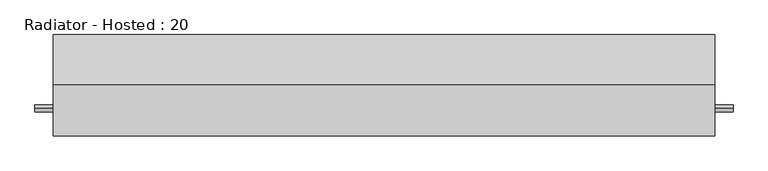
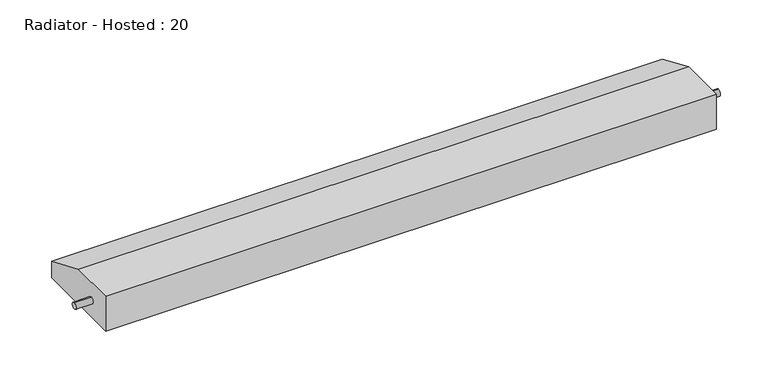
"""IFC4 building model written with IfcOpenShell, lengths in millimetres: proxy geometry, Radiator - Hosted : 20."""

from ifc_helpers import new_model, si_unit, frame, origin, place, context, project, spatial, circle_curve, source, transform, mapped, element, save
from ifc_brep_helpers import plane_surface, cylinder_surface, advanced_brep


def radiator_hosted_20_27c2687f(model_context):
    return source(origin(), model_context, "Body", "AdvancedBrep", [
        advanced_brep(
        [(914.4, 280.0, 0.0), (914.4, 280.0, 52.3875), (914.4, 141.8875, 111.125), (914.4, 0.0, 111.125), (914.4, 0.0, 0.0), (914.4, 76.2, 42.3875), (914.4, 76.2, 62.3875), (-914.4, 280.0, 0.0), (-914.4, 0.0, 0.0), (-914.4, 0.0, 111.125), (-914.4, 141.8875, 111.125), (-914.4, 280.0, 52.3875), (-914.4, 76.2, 62.3875), (-914.4, 76.2, 42.3875), (-965.2, 76.2, 42.3875), (-965.2, 76.2, 62.3875), (965.2, 76.2, 42.3875), (965.2, 76.2, 62.3875)],
        [
            (0, 1),
            (1, 2),
            (2, 3),
            (3, 4),
            (4, 0),
            (5, 6, circle_curve(frame((914.4, 76.2, 52.3875), z_axis=(-1.0, 0.0, 0.0), x_axis=(0.0, 0.0, 1.0)), 10.0)),
            (6, 5, circle_curve(frame((914.4, 76.2, 52.3875), z_axis=(-1.0, 0.0, 0.0), x_axis=(0.0, 0.0, 1.0)), 10.0)),
            (7, 8),
            (8, 9),
            (9, 10),
            (10, 11),
            (11, 7),
            (12, 13, circle_curve(frame((-914.4, 76.2, 52.3875), z_axis=(1.0, 0.0, 0.0), x_axis=(0.0, 0.0, 1.0)), 10.0)),
            (13, 12, circle_curve(frame((-914.4, 76.2, 52.3875), z_axis=(1.0, 0.0, 0.0), x_axis=(0.0, 0.0, 1.0)), 10.0)),
            (0, 7),
            (11, 1),
            (10, 2),
            (9, 3),
            (8, 4),
            (14, 15, circle_curve(frame((-965.2, 76.2, 52.3875), z_axis=(-1.0, 0.0, 0.0), x_axis=(0.0, 0.0, 1.0)), 10.0)),
            (15, 14, circle_curve(frame((-965.2, 76.2, 52.3875), z_axis=(-1.0, 0.0, 0.0), x_axis=(0.0, 0.0, 1.0)), 10.0)),
            (16, 17, circle_curve(frame((965.2, 76.2, 52.3875), z_axis=(1.0, 0.0, 0.0), x_axis=(0.0, 0.0, 1.0)), 10.0)),
            (17, 16, circle_curve(frame((965.2, 76.2, 52.3875), z_axis=(1.0, 0.0, 0.0), x_axis=(0.0, 0.0, 1.0)), 10.0)),
            (14, 13),
            (12, 15),
            (17, 6),
            (5, 16),
        ],
        [
            plane_surface(frame((914.4, 280.0, 0.0), z_axis=(1.0, 0.0, 0.0), x_axis=(0.0, 0.0, 1.0))),
            plane_surface(frame((-914.4, 280.0, 0.0), z_axis=(-1.0, 0.0, 0.0), x_axis=(0.0, 0.0, -1.0))),
            plane_surface(frame((914.4, 280.0, 0.0), z_axis=(0.0, 1.0, 0.0), x_axis=(-1.0, 0.0, 0.0))),
            plane_surface(frame((914.4, 280.0, 52.3875), z_axis=(0.0, 0.3913646080488335, 0.9202357000066793), x_axis=(-1.0, 0.0, 0.0))),
            plane_surface(frame((914.4, 141.8875, 111.125), z_axis=(0.0, 0.0, 1.0), x_axis=(-1.0, 0.0, 0.0))),
            plane_surface(frame((914.4, 0.0, 111.125), z_axis=(0.0, -1.0, 0.0), x_axis=(-1.0, 0.0, 0.0))),
            plane_surface(frame((914.4, 0.0, 0.0), z_axis=(0.0, 0.0, -1.0), x_axis=(-1.0, 0.0, 0.0))),
            plane_surface(frame((-965.2, 76.2, 62.3875), z_axis=(-1.0, 0.0, 0.0), x_axis=(0.0, 1.0, 0.0))),
            plane_surface(frame((965.2, 76.2, 62.3875), z_axis=(1.0, 0.0, 0.0), x_axis=(0.0, -1.0, 0.0))),
            cylinder_surface(frame((965.2, 76.2, 52.3875), z_axis=(-1.0, 0.0, 0.0), x_axis=(0.0, 0.0, 1.0)), 10.0),
        ],
        [
            (0, [[1, 2, 3, 4, 5], [6, 7]]),
            (1, [[8, 9, 10, 11, 12], [13, 14]]),
            (2, [[-1, 15, -12, 16]]),
            (3, [[-2, -16, -11, 17]]),
            (4, [[-3, -17, -10, 18]]),
            (5, [[-4, -18, -9, 19]]),
            (6, [[-5, -19, -8, -15]]),
            (7, [[20, 21]]),
            (8, [[22, 23]]),
            (9, [[-20, 24, -13, 25]]),
            (9, [[-23, 26, -6, 27]]),
            (9, [[-21, -25, -14, -24]]),
            (9, [[-22, -27, -7, -26]]),
        ],
    ),
    ])


if __name__ == "__main__":
    model = new_model("IFC4")
    model_context = context("Model", 3, world=origin())
    ifc_project = project(units=[si_unit("LENGTHUNIT", "METRE", prefix="MILLI")], contexts=[model_context])
    site = spatial("IfcSite", under=ifc_project)
    building = spatial("IfcBuilding", under=site)
    placement = place(None, origin())
    radiator_hosted_20_shape = radiator_hosted_20_27c2687f(model_context)
    element("IfcBuildingElementProxy", 1, Name="Radiator - Hosted : 20", ObjectType="Radiator - Hosted : 20", at=placement, inside=building, context=model_context, shape_type="MappedRepresentation", body=[
        mapped(radiator_hosted_20_shape, transform((0.0, 0.0, 0.0), x_axis=(1.0, 0.0, 0.0), y_axis=(0.0, 1.0, 0.0), z_axis=(0.0, 0.0, 1.0))),
    ])
    save(model, "model.ifc")
